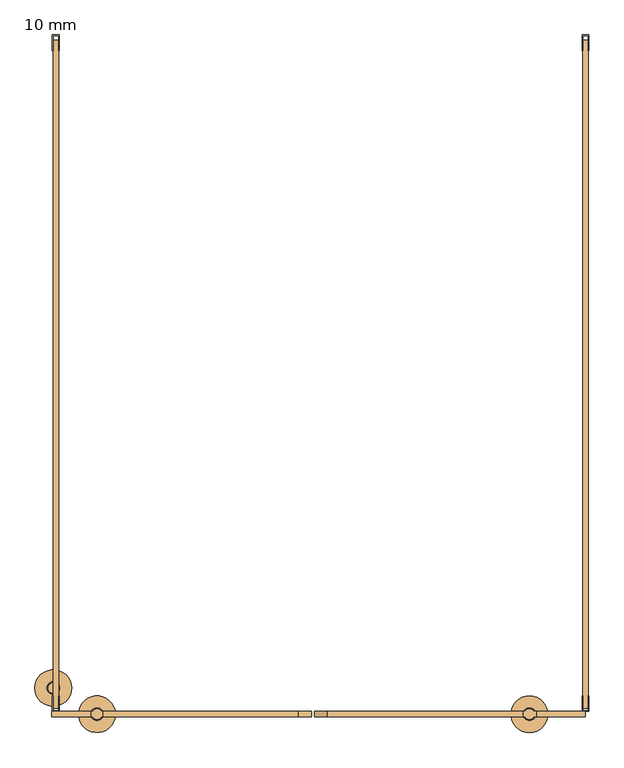
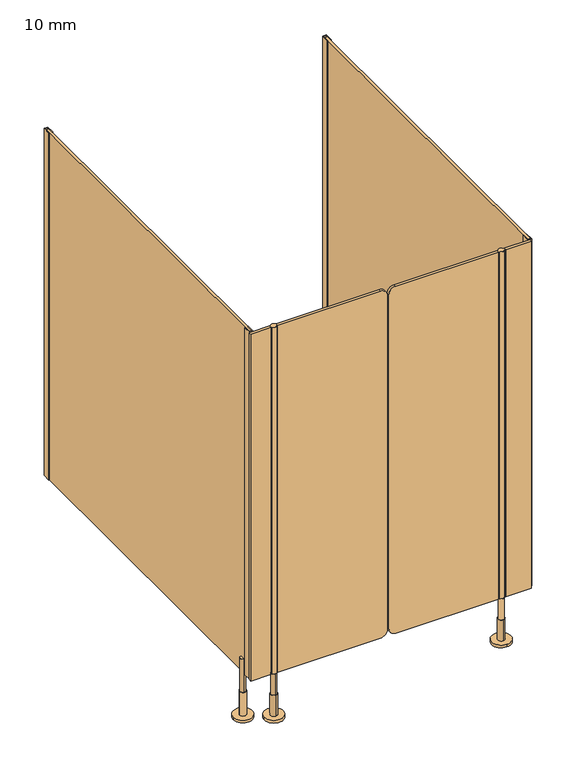
"""IFC4 building model written with IfcOpenShell, lengths in millimetres: door geometry, 10 mm."""

from ifc_helpers import new_model, si_unit, point, frame, frame_2d, origin, place, context, project, spatial, polyline, circle_curve, trimmed, segment, composite_curve, outline, extrude, source, transform, mapped, element, save
from ifc_brep_helpers import plane_surface, cylinder_surface, advanced_brep


def door_10_mm_9adffd7e(model_context):
    return source(origin(), model_context, "Body", "SolidModel", [
        advanced_brep(
        [(408.0, -1295.0, 170.0), (388.0, -1295.0, 170.0), (388.0, -1295.0, 90.0), (408.0, -1295.0, 90.0), (398.0, -1283.0, 90.0), (398.0, -1307.0, 90.0), (398.0, -1283.0, 10.0), (398.0, -1307.0, 10.0), (398.0, -1260.0, 10.0), (398.0, -1330.0, 10.0), (398.0, -1260.0, 0.0), (398.0, -1330.0, 0.0)],
        [
            (0, 1, circle_curve(frame((398.0, -1295.0, 170.0), z_axis=(0.0, 0.0, 1.0), x_axis=(-1.0, 0.0, 0.0)), 10.0)),
            (1, 0, circle_curve(frame((398.0, -1295.0, 170.0), z_axis=(0.0, 0.0, 1.0), x_axis=(-1.0, 0.0, 0.0)), 10.0)),
            (1, 2),
            (2, 3, circle_curve(frame((398.0, -1295.0, 90.0), z_axis=(0.0, 0.0, 1.0), x_axis=(-1.0, 0.0, 0.0)), 10.0)),
            (3, 0),
            (3, 2, circle_curve(frame((398.0, -1295.0, 90.0), z_axis=(0.0, 0.0, 1.0), x_axis=(-1.0, 0.0, 0.0)), 10.0)),
            (4, 5, circle_curve(frame((398.0, -1295.0, 90.0), z_axis=(0.0, 0.0, 1.0), x_axis=(0.0, -1.0, 0.0)), 12.0)),
            (5, 4, circle_curve(frame((398.0, -1295.0, 90.0), z_axis=(0.0, 0.0, 1.0), x_axis=(0.0, -1.0, 0.0)), 12.0)),
            (4, 6),
            (6, 7, circle_curve(frame((398.0, -1295.0, 10.0), z_axis=(0.0, 0.0, 1.0), x_axis=(0.0, -1.0, 0.0)), 12.0)),
            (7, 5),
            (7, 6, circle_curve(frame((398.0, -1295.0, 10.0), z_axis=(0.0, 0.0, 1.0), x_axis=(0.0, -1.0, 0.0)), 12.0)),
            (8, 9, circle_curve(frame((398.0, -1295.0, 10.0), z_axis=(0.0, 0.0, 1.0), x_axis=(0.0, -1.0, 0.0)), 35.0)),
            (9, 8, circle_curve(frame((398.0, -1295.0, 10.0), z_axis=(0.0, 0.0, 1.0), x_axis=(0.0, -1.0, 0.0)), 35.0)),
            (10, 11, circle_curve(frame((398.0, -1295.0, 0.0), z_axis=(0.0, 0.0, -1.0), x_axis=(0.0, -1.0, 0.0)), 35.0)),
            (11, 10, circle_curve(frame((398.0, -1295.0, 0.0), z_axis=(0.0, 0.0, -1.0), x_axis=(0.0, -1.0, 0.0)), 35.0)),
            (8, 10),
            (11, 9),
        ],
        [
            plane_surface(frame((398.0, -1290.0, 170.0), z_axis=(0.0, 0.0, 1.0), x_axis=(0.0, -1.0, 0.0))),
            cylinder_surface(frame((398.0, -1295.0, 90.0), z_axis=(0.0, 0.0, -1.0), x_axis=(-1.0, 0.0, 0.0)), 10.0),
            plane_surface(frame((398.0, -1290.0, 90.0), z_axis=(0.0, 0.0, 1.0), x_axis=(0.0, -1.0, 0.0))),
            cylinder_surface(frame((398.0, -1295.0, 90.0), z_axis=(0.0, 0.0, 1.0), x_axis=(0.0, -1.0, 0.0)), 12.0),
            plane_surface(frame((398.0, -1290.0, 10.0), z_axis=(0.0, 0.0, 1.0), x_axis=(0.0, -1.0, 0.0))),
            plane_surface(frame((398.0, -1290.0, 0.0), z_axis=(0.0, 0.0, -1.0), x_axis=(0.0, -1.0, 0.0))),
            cylinder_surface(frame((398.0, -1295.0, 10.0), z_axis=(0.0, 0.0, 1.0), x_axis=(0.0, -1.0, 0.0)), 35.0),
        ],
        [
            (0, [[1, 2]]),
            (1, [[-2, 3, 4, 5]]),
            (1, [[-1, -5, 6, -3]]),
            (2, [[7, 8], [-4, -6]]),
            (3, [[-7, 9, 10, 11]]),
            (3, [[-8, -11, 12, -9]]),
            (4, [[13, 14], [-10, -12]]),
            (5, [[15, 16]]),
            (6, [[-13, 17, -16, 18]]),
            (6, [[-14, -18, -15, -17]]),
        ],
    ),
        advanced_brep(
        [(-426.5, -1305.0, 170.0), (-426.5, -1285.0, 170.0), (-426.5, -1285.0, 90.0), (-426.5, -1305.0, 90.0), (-426.5, -1283.0, 90.0), (-426.5, -1307.0, 90.0), (-426.5, -1283.0, 10.0), (-426.5, -1307.0, 10.0), (-391.5, -1295.0, 0.0), (-461.5, -1295.0, 0.0), (-391.5, -1295.0, 10.0), (-461.5, -1295.0, 10.0)],
        [
            (0, 1, circle_curve(frame((-426.5, -1295.0, 170.0), z_axis=(0.0, 0.0, -1.0), x_axis=(0.0, -1.0, 0.0)), 10.0)),
            (1, 2),
            (2, 3, circle_curve(frame((-426.5, -1295.0, 90.0), z_axis=(0.0, 0.0, 1.0), x_axis=(0.0, -1.0, 0.0)), 10.0)),
            (3, 0),
            (1, 0, circle_curve(frame((-426.5, -1295.0, 170.0), z_axis=(0.0, 0.0, -1.0), x_axis=(0.0, -1.0, 0.0)), 10.0)),
            (3, 2, circle_curve(frame((-426.5, -1295.0, 90.0), z_axis=(0.0, 0.0, 1.0), x_axis=(0.0, -1.0, 0.0)), 10.0)),
            (4, 5, circle_curve(frame((-426.5, -1295.0, 90.0), z_axis=(0.0, 0.0, 1.0), x_axis=(0.0, -1.0, 0.0)), 12.0)),
            (5, 4, circle_curve(frame((-426.5, -1295.0, 90.0), z_axis=(0.0, 0.0, 1.0), x_axis=(0.0, -1.0, 0.0)), 12.0)),
            (4, 6),
            (6, 7, circle_curve(frame((-426.5, -1295.0, 10.0), z_axis=(0.0, 0.0, 1.0), x_axis=(0.0, -1.0, 0.0)), 12.0)),
            (7, 5),
            (7, 6, circle_curve(frame((-426.5, -1295.0, 10.0), z_axis=(0.0, 0.0, 1.0), x_axis=(0.0, -1.0, 0.0)), 12.0)),
            (8, 9, circle_curve(frame((-426.5, -1295.0, 0.0), z_axis=(0.0, 0.0, -1.0), x_axis=(-1.0, 0.0, 0.0)), 35.0)),
            (9, 8, circle_curve(frame((-426.5, -1295.0, 0.0), z_axis=(0.0, 0.0, -1.0), x_axis=(-1.0, 0.0, 0.0)), 35.0)),
            (10, 11, circle_curve(frame((-426.5, -1295.0, 10.0), z_axis=(0.0, 0.0, 1.0), x_axis=(-1.0, 0.0, 0.0)), 35.0)),
            (11, 10, circle_curve(frame((-426.5, -1295.0, 10.0), z_axis=(0.0, 0.0, 1.0), x_axis=(-1.0, 0.0, 0.0)), 35.0)),
            (8, 10),
            (11, 9),
        ],
        [
            cylinder_surface(frame((-426.5, -1295.0, 170.0), z_axis=(0.0, 0.0, 1.0), x_axis=(0.0, -1.0, 0.0)), 10.0),
            plane_surface(frame((-426.5, -1290.0, 90.0), z_axis=(0.0, 0.0, 1.0), x_axis=(0.0, -1.0, 0.0))),
            cylinder_surface(frame((-426.5, -1295.0, 90.0), z_axis=(0.0, 0.0, 1.0), x_axis=(0.0, -1.0, 0.0)), 12.0),
            plane_surface(frame((-426.5, -1290.0, 0.0), z_axis=(0.0, 0.0, -1.0), x_axis=(0.0, -1.0, 0.0))),
            plane_surface(frame((-426.5, -1290.0, 10.0), z_axis=(0.0, 0.0, 1.0), x_axis=(0.0, -1.0, 0.0))),
            cylinder_surface(frame((-426.5, -1295.0, 0.0), z_axis=(0.0, 0.0, -1.0), x_axis=(-1.0, 0.0, 0.0)), 35.0),
            plane_surface(frame((-426.5, -1290.0, 170.0), z_axis=(0.0, 0.0, 1.0), x_axis=(0.0, -1.0, 0.0))),
        ],
        [
            (0, [[1, 2, 3, 4]]),
            (0, [[5, -4, 6, -2]]),
            (1, [[7, 8], [-3, -6]]),
            (2, [[-7, 9, 10, 11]]),
            (2, [[-8, -11, 12, -9]]),
            (3, [[13, 14]]),
            (4, [[15, 16], [-10, -12]]),
            (5, [[-13, 17, -16, 18]]),
            (5, [[-14, -18, -15, -17]]),
            (6, [[-1, -5]]),
        ],
    ),
        extrude(outline(composite_curve([segment(polyline([(170.0, 385.0), (1500.0, 385.0), (1500.0, 13.0002203)]), True, "CONTINUOUS"), segment(trimmed(circle_curve(frame_2d((1475.0, 13.0002203)), 25.0), [point((1500.0, 13.0002203))], [point((1475.0, -11.9997797))], False, "CARTESIAN"), True, "CONTINUOUS"), segment(polyline([(1475.0, -11.9997797), (195.0, -11.9997797)]), True, "CONTINUOUS"), segment(trimmed(circle_curve(frame_2d((195.0, 13.0002203)), 25.0), [point((195.0, -11.9997797))], [point((170.0, 13.0002203))], False, "CARTESIAN"), True, "CONTINUOUS"), segment(polyline([(170.0, 13.0002203), (170.0, 385.0)]), True, "CONTINUOUS")], self_intersect=False)), frame((0.0, -1300.0, 0.0), z_axis=(0.0, 1.0, 0.0), x_axis=(0.0, 0.0, 1.0)), (0.0, 0.0, 1.0), 10.0),
        extrude(outline(composite_curve([segment(polyline([(1500.0, -415.0), (170.0, -415.0), (170.0, -43.0002203)]), True, "CONTINUOUS"), segment(trimmed(circle_curve(frame_2d((195.0, -43.0002203)), 25.0), [point((170.0, -43.0002203))], [point((195.0, -18.0002203))], False, "CARTESIAN"), True, "CONTINUOUS"), segment(polyline([(195.0, -18.0002203), (1475.0, -18.0002203)]), True, "CONTINUOUS"), segment(trimmed(circle_curve(frame_2d((1475.0, -43.0002203)), 25.0), [point((1475.0, -18.0002203))], [point((1500.0, -43.0002203))], False, "CARTESIAN"), True, "CONTINUOUS"), segment(polyline([(1500.0, -43.0002203), (1500.0, -415.0)]), True, "CONTINUOUS")], self_intersect=False)), frame((0.0, -1300.0, 0.0), z_axis=(0.0, 1.0, 0.0), x_axis=(0.0, 0.0, 1.0)), (0.0, 0.0, 1.0), 10.0),
        advanced_brep(
        [(-435.160254, -1290.0, 170.0), (-417.839746, -1290.0, 170.0), (-415.0, -1290.0010631, 170.0), (-415.0, -1299.9989369, 170.0), (-417.8391323, -1299.9989369, 170.0), (-435.1608677, -1299.9989369, 170.0), (-438.0, -1299.9989369, 170.0), (-438.0, -1290.0010631, 170.0), (-417.839746, -1290.0, 1500.0), (-435.160254, -1290.0, 1500.0), (-438.0, -1290.0010631, 1500.0), (-438.0, -1299.9989369, 1500.0), (-435.1608677, -1299.9989369, 1500.0), (-417.8391323, -1299.9989369, 1500.0), (-415.0, -1299.9989369, 1500.0), (-415.0, -1290.0010631, 1500.0)],
        [
            (0, 1, circle_curve(frame((-426.5, -1295.0, 170.0), z_axis=(0.0, 0.0, -1.0), x_axis=(-1.0, 0.0, 0.0)), 10.0)),
            (1, 2),
            (2, 3),
            (3, 4),
            (4, 5, circle_curve(frame((-426.5, -1295.0, 170.0), z_axis=(0.0, 0.0, -1.0), x_axis=(-1.0, 0.0, 0.0)), 10.0)),
            (5, 6),
            (6, 7),
            (7, 0),
            (8, 9, circle_curve(frame((-426.5, -1295.0, 1500.0), z_axis=(0.0, 0.0, 1.0), x_axis=(-1.0, 0.0, 0.0)), 10.0)),
            (9, 10),
            (10, 11),
            (11, 12),
            (12, 13, circle_curve(frame((-426.5, -1295.0, 1500.0), z_axis=(0.0, 0.0, 1.0), x_axis=(-1.0, 0.0, 0.0)), 10.0)),
            (13, 14),
            (14, 15),
            (15, 8),
            (0, 9),
            (8, 1),
            (4, 13),
            (12, 5),
            (7, 10),
            (15, 2),
            (14, 3),
            (11, 6),
        ],
        [
            plane_surface(frame((-420.2598646, -1290.0, 170.0), z_axis=(0.0, 0.0, -1.0), x_axis=(0.0, -1.0, 0.0))),
            plane_surface(frame((-420.2598646, -1290.0, 1500.0), z_axis=(0.0, 0.0, 1.0), x_axis=(0.0, -1.0, 0.0))),
            cylinder_surface(frame((-426.5, -1295.0, 170.0), z_axis=(0.0, 0.0, -1.0), x_axis=(-1.0, 0.0, 0.0)), 10.0),
            plane_surface(frame((-438.0, -1290.0010631, 170.0), z_axis=(0.0, 1.0, 0.0), x_axis=(0.0, 0.0, 1.0))),
            plane_surface(frame((-415.0, -1290.0010631, 170.0), z_axis=(1.0, 0.0, 0.0), x_axis=(0.0, 0.0, 1.0))),
            plane_surface(frame((-415.0, -1299.9989369, 170.0), z_axis=(0.0, -1.0, 0.0), x_axis=(0.0, 0.0, 1.0))),
            plane_surface(frame((-438.0, -1299.9989369, 170.0), z_axis=(-1.0, 0.0, 0.0), x_axis=(0.0, 0.0, 1.0))),
        ],
        [
            (0, [[1, 2, 3, 4, 5, 6, 7, 8]]),
            (1, [[9, 10, 11, 12, 13, 14, 15, 16]]),
            (2, [[-1, 17, -9, 18]]),
            (2, [[-5, 19, -13, 20]]),
            (3, [[21, -10, -17, -8]]),
            (3, [[22, -2, -18, -16]]),
            (4, [[-3, -22, -15, 23]]),
            (5, [[-23, -14, -19, -4]]),
            (5, [[24, -6, -20, -12]]),
            (6, [[-7, -24, -11, -21]]),
        ],
    ),
        extrude(outline(composite_curve([segment(trimmed(circle_curve(frame_2d((398.0, -1295.0)), 10.0), [point((406.6608677, -1299.9989369))], [point((389.3391323, -1299.9989369))], False, "CARTESIAN"), True, "CONTINUOUS"), segment(polyline([(389.3391323, -1299.9989369), (385.0, -1299.9989369), (385.0, -1290.0010631), (389.3391323, -1290.0010631)]), True, "CONTINUOUS"), segment(trimmed(circle_curve(frame_2d((398.0, -1295.0)), 10.0), [point((389.3391323, -1290.0010631))], [point((406.6608677, -1290.0010631))], False, "CARTESIAN"), True, "CONTINUOUS"), segment(polyline([(406.6608677, -1290.0010631), (411.0, -1290.0010631), (411.0, -1299.9989369), (406.6608677, -1299.9989369)]), True, "CONTINUOUS")], self_intersect=False)), frame((0.0, 0.0, 170.0), z_axis=(0.0, 0.0, 1.0), x_axis=(1.0, 0.0, 0.0)), (0.0, 0.0, 1.0), 1330.0),
        extrude(outline(polyline([(498.5, 0.0), (511.5, 0.0), (511.5, -30.0), (510.0, -30.0), (510.0, -1.5), (500.0, -1.5), (500.0, -30.0), (498.5, -30.0), (498.5, 0.0)])), frame((0.0, 0.0, 170.0), z_axis=(0.0, 0.0, 1.0), x_axis=(1.0, 0.0, 0.0)), (0.0, 0.0, 1.0), 1330.0),
        extrude(outline(polyline([(-511.5, 0.0), (-498.5, 0.0), (-498.5, -30.0), (-500.0, -30.0), (-500.0, -1.5), (-510.0, -1.5), (-510.0, -30.0), (-511.5, -30.0), (-511.5, 0.0)])), frame((0.0, 0.0, 170.0), z_axis=(0.0, 0.0, 1.0), x_axis=(1.0, 0.0, 0.0)), (0.0, 0.0, 1.0), 1330.0),
        extrude(outline(polyline([(411.0, -1290.0), (505.0, -1290.0), (505.0, -1300.0), (411.0, -1300.0), (411.0, -1290.0)])), frame((0.0, 0.0, 170.0), z_axis=(0.0, 0.0, 1.0), x_axis=(1.0, 0.0, 0.0)), (0.0, 0.0, 1.0), 1330.0),
        extrude(outline(polyline([(-438.0, -1290.0), (-438.0, -1300.0), (-513.0, -1300.0), (-513.0, -1290.0), (-438.0, -1290.0)])), frame((0.0, 0.0, 170.0), z_axis=(0.0, 0.0, 1.0), x_axis=(1.0, 0.0, 0.0)), (0.0, 0.0, 1.0), 1330.0),
        extrude(outline(polyline([(511.5, -1290.0), (498.5, -1290.0), (498.5, -1260.0), (500.0, -1260.0), (500.0, -1288.5), (510.0, -1288.5), (510.0, -1260.0), (511.5, -1260.0), (511.5, -1290.0)])), frame((0.0, 0.0, 170.0), z_axis=(0.0, 0.0, 1.0), x_axis=(1.0, 0.0, 0.0)), (0.0, 0.0, 1.0), 1330.0),
        extrude(outline(polyline([(-498.5, -1290.0), (-511.5, -1290.0), (-511.5, -1260.0), (-510.0, -1260.0), (-510.0, -1288.5), (-500.0, -1288.5), (-500.0, -1260.0), (-498.5, -1260.0), (-498.5, -1290.0)])), frame((0.0, 0.0, 170.0), z_axis=(0.0, 0.0, 1.0), x_axis=(1.0, 0.0, 0.0)), (0.0, 0.0, 1.0), 1330.0),
        advanced_brep(
        [(-545.0, -1245.0, 0.0), (-475.0, -1245.0, 0.0), (-545.0, -1245.0, 10.0), (-475.0, -1245.0, 10.0), (-522.0, -1245.0, 10.0), (-498.0, -1245.0, 10.0), (-522.0, -1245.0, 100.0), (-498.0, -1245.0, 100.0), (-510.0, -1235.0, 100.0), (-510.0, -1255.0, 100.0), (-510.0, -1255.0, 225.5), (-510.0, -1235.0, 225.5)],
        [
            (0, 1, circle_curve(frame((-510.0, -1245.0, 0.0), z_axis=(0.0, 0.0, -1.0), x_axis=(1.0, 0.0, 0.0)), 35.0)),
            (1, 0, circle_curve(frame((-510.0, -1245.0, 0.0), z_axis=(0.0, 0.0, -1.0), x_axis=(1.0, 0.0, 0.0)), 35.0)),
            (2, 3, circle_curve(frame((-510.0, -1245.0, 10.0), z_axis=(0.0, 0.0, 1.0), x_axis=(1.0, 0.0, 0.0)), 35.0)),
            (3, 2, circle_curve(frame((-510.0, -1245.0, 10.0), z_axis=(0.0, 0.0, 1.0), x_axis=(1.0, 0.0, 0.0)), 35.0)),
            (4, 5, circle_curve(frame((-510.0, -1245.0, 10.0), z_axis=(0.0, 0.0, -1.0), x_axis=(1.0, 0.0, 0.0)), 12.0)),
            (5, 4, circle_curve(frame((-510.0, -1245.0, 10.0), z_axis=(0.0, 0.0, -1.0), x_axis=(1.0, 0.0, 0.0)), 12.0)),
            (0, 2),
            (3, 1),
            (6, 7, circle_curve(frame((-510.0, -1245.0, 100.0), z_axis=(0.0, 0.0, 1.0), x_axis=(1.0, 0.0, 0.0)), 12.0)),
            (7, 6, circle_curve(frame((-510.0, -1245.0, 100.0), z_axis=(0.0, 0.0, 1.0), x_axis=(1.0, 0.0, 0.0)), 12.0)),
            (8, 9, circle_curve(frame((-510.0, -1245.0, 100.0), z_axis=(0.0, 0.0, -1.0), x_axis=(0.0, 1.0, 0.0)), 10.0)),
            (9, 8, circle_curve(frame((-510.0, -1245.0, 100.0), z_axis=(0.0, 0.0, -1.0), x_axis=(0.0, 1.0, 0.0)), 10.0)),
            (7, 5),
            (4, 6),
            (10, 11, circle_curve(frame((-510.0, -1245.0, 225.5), z_axis=(0.0, 0.0, 1.0), x_axis=(0.0, 1.0, 0.0)), 10.0)),
            (11, 10, circle_curve(frame((-510.0, -1245.0, 225.5), z_axis=(0.0, 0.0, 1.0), x_axis=(0.0, 1.0, 0.0)), 10.0)),
            (10, 9),
            (8, 11),
        ],
        [
            plane_surface(frame((-505.0, -1295.0, 0.0), z_axis=(0.0, 0.0, -1.0), x_axis=(0.0, 1.0, 0.0))),
            plane_surface(frame((-505.0, -1295.0, 10.0), z_axis=(0.0, 0.0, 1.0), x_axis=(0.0, 1.0, 0.0))),
            cylinder_surface(frame((-510.0, -1245.0, 0.0), z_axis=(0.0, 0.0, -1.0), x_axis=(1.0, 0.0, 0.0)), 35.0),
            plane_surface(frame((-505.0, -1405.0, 100.0), z_axis=(0.0, 0.0, 1.0), x_axis=(0.0, 1.0, 0.0))),
            cylinder_surface(frame((-510.0, -1245.0, 10.0), z_axis=(0.0, 0.0, -1.0), x_axis=(1.0, 0.0, 0.0)), 12.0),
            plane_surface(frame((-505.0, -1295.0, 225.5), z_axis=(0.0, 0.0, 1.0), x_axis=(0.0, 1.0, 0.0))),
            cylinder_surface(frame((-510.0, -1245.0, 225.5), z_axis=(0.0, 0.0, 1.0), x_axis=(0.0, 1.0, 0.0)), 10.0),
        ],
        [
            (0, [[1, 2]]),
            (1, [[3, 4], [5, 6]]),
            (2, [[-1, 7, -4, 8]]),
            (2, [[-2, -8, -3, -7]]),
            (3, [[9, 10], [11, 12]]),
            (4, [[-10, 13, -5, 14]]),
            (4, [[-9, -14, -6, -13]]),
            (5, [[15, 16]]),
            (6, [[-15, 17, -11, 18]]),
            (6, [[-16, -18, -12, -17]]),
        ],
    ),
        extrude(outline(polyline([(510.0, -10.0), (510.0, -1284.0), (500.0, -1284.0), (500.0, -10.0), (510.0, -10.0)])), frame((0.0, 0.0, 170.0), z_axis=(0.0, 0.0, 1.0), x_axis=(1.0, 0.0, 0.0)), (0.0, 0.0, 1.0), 1330.0),
        extrude(outline(polyline([(-510.0, -10.0), (-500.0, -10.0), (-500.0, -1284.0), (-510.0, -1284.0), (-510.0, -10.0)])), frame((0.0, 0.0, 170.0), z_axis=(0.0, 0.0, 1.0), x_axis=(1.0, 0.0, 0.0)), (0.0, 0.0, 1.0), 1330.0),
    ])


if __name__ == "__main__":
    model = new_model("IFC4")
    model_context = context("Model", 3, world=origin())
    ifc_project = project(units=[si_unit("LENGTHUNIT", "METRE", prefix="MILLI")], contexts=[model_context])
    site = spatial("IfcSite", under=ifc_project)
    building = spatial("IfcBuilding", under=site)
    placement = place(None, origin())
    door_10_mm_shape = door_10_mm_9adffd7e(model_context)
    element("IfcDoor", 1, ObjectType="10 mm", at=placement, inside=building, context=model_context, shape_type="MappedRepresentation", body=[
        mapped(door_10_mm_shape, transform((0.0, 0.0, 0.0), x_axis=(1.0, 0.0, 0.0), y_axis=(0.0, 1.0, 0.0), z_axis=(0.0, 0.0, 1.0))),
    ])
    save(model, "model.ifc")
